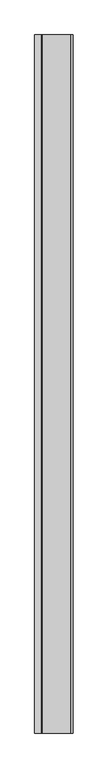
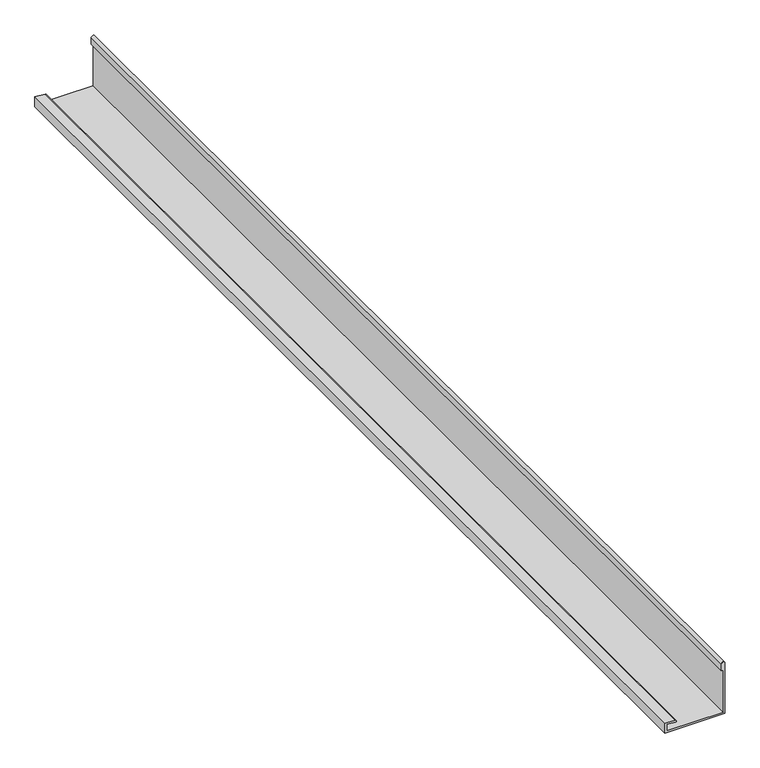
"""IFC4 building model written with IfcOpenShell, lengths in millimetres: proxy geometry."""

from ifc_helpers import new_model, si_unit, point, frame, frame_2d, origin, place, context, project, spatial, polyline, circle_curve, trimmed, segment, composite_curve, outline, extrude, source, transform, mapped, element, save


def generic_models_5688a6c3(model_context):
    return source(origin(), model_context, "Body", "SweptSolid", [
        extrude(outline(composite_curve([segment(polyline([(3799.2452806, 22067.8272386), (3799.2452806, 22237.8272386), (3949.6655464, 22237.8272386)]), True, "CONTINUOUS"), segment(trimmed(circle_curve(frame_2d((3949.6655464, 22232.8272386)), 5.0), [point((3949.6655464, 22237.8272386))], [point((3949.6655464, 22227.8272386))], False, "CARTESIAN"), True, "CONTINUOUS"), segment(polyline([(3949.6655464, 22227.8272386), (3929.6655464, 22227.8272386), (3929.6655464, 22232.8272386), (3804.2452806, 22232.8272386), (3804.2452806, 22072.8272386), (3823.7887381, 22072.8272386), (3821.6496348, 22097.2773008)]), True, "CONTINUOUS"), segment(trimmed(circle_curve(frame_2d((3824.1401216, 22097.4951902)), 2.5), [point((3821.6496348, 22097.2773008))], [point((3826.6306083, 22097.7130796))], False, "CARTESIAN"), True, "CONTINUOUS"), segment(polyline([(3826.6306083, 22097.7130796), (3829.2452806, 22067.8272386), (3799.2452806, 22067.8272386)]), True, "CONTINUOUS")], self_intersect=False)), frame((0.0, -13655.4372176, 0.0), z_axis=(0.0, 1.0, 0.0), x_axis=(0.0, 0.0, 1.0)), (0.0, 0.0, 1.0), 3090.0),
    ])


if __name__ == "__main__":
    model = new_model("IFC4")
    model_context = context("Model", 3, world=origin())
    ifc_project = project(units=[si_unit("LENGTHUNIT", "METRE", prefix="MILLI")], contexts=[model_context])
    site = spatial("IfcSite", under=ifc_project)
    building = spatial("IfcBuilding", under=site)
    placement = place(None, origin())
    generic_models_shape = generic_models_5688a6c3(model_context)
    element("IfcBuildingElementProxy", 1, Name="Generic Models", at=placement, inside=building, context=model_context, shape_type="MappedRepresentation", body=[
        mapped(generic_models_shape, transform((0.0, 0.0, 0.0), x_axis=(1.0, 0.0, 0.0), y_axis=(0.0, 1.0, 0.0), z_axis=(0.0, 0.0, 1.0))),
    ])
    save(model, "model.ifc")
